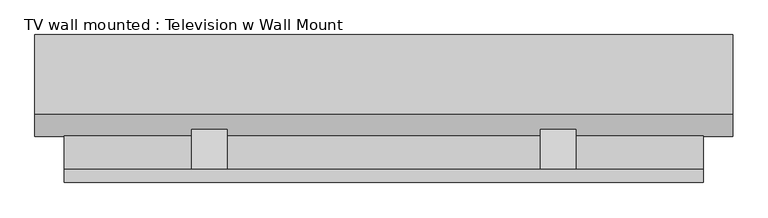
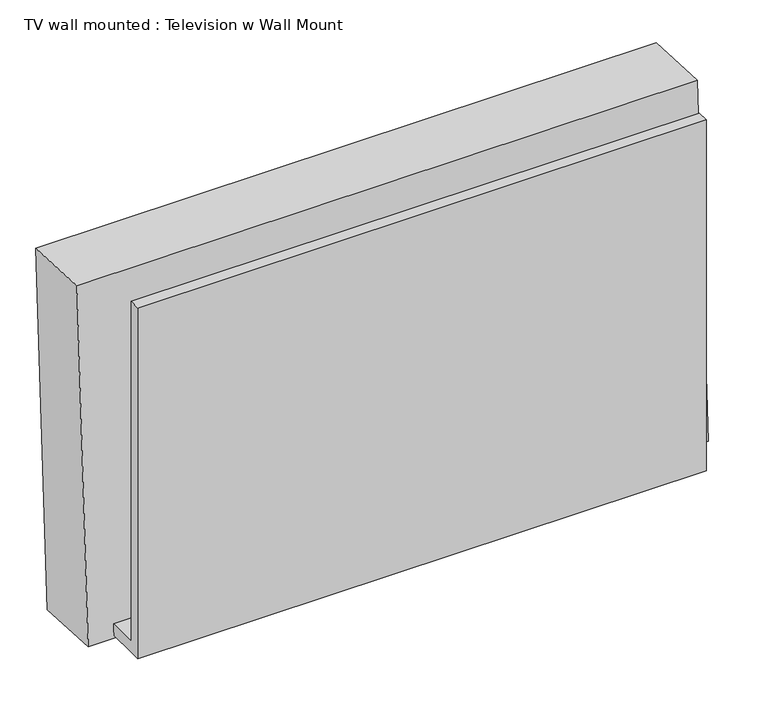
"""IFC4 building model written with IfcOpenShell, lengths in millimetres: proxy geometry, TV wall mounted : Television w Wall Mount."""

from ifc_helpers import new_model, si_unit, point, frame, frame_2d, origin, place, context, project, spatial, polyline, circle_curve, trimmed, segment, composite_curve, outline, extrude, source, transform, mapped, element, save
from ifc_brep_helpers import plane_surface, revolved_surface, advanced_brep


def tv_wall_mounted_television_w_wall_mount_cc8eaa67(model_context):
    return source(origin(), model_context, "Body", "SolidModel", [
        extrude(outline(composite_curve([segment(trimmed(circle_curve(frame_2d((0.0, -9.0037851)), 9.0037851), [point((0.0, -18.0075701))], [point((0.0, 0.0))], False, "CARTESIAN"), True, "CONTINUOUS"), segment(trimmed(circle_curve(frame_2d((0.0, -9.0037851)), 9.0037851), [point((0.0, 0.0))], [point((0.0, -18.0075701))], False, "CARTESIAN"), True, "CONTINUOUS")], self_intersect=False)), frame((-656.4331651, 240.5253505, 2466.195864), z_axis=(0.0, -0.9986295347545739, 0.05233595624294378), x_axis=(1.0, 0.0, 0.0)), (0.0, 0.0, 1.0), 3.175),
        extrude(outline(composite_curve([segment(trimmed(circle_curve(frame_2d((0.0, -9.0037851)), 9.0037851), [point((0.0, -18.0075701))], [point((0.0, 0.0))], False, "CARTESIAN"), True, "CONTINUOUS"), segment(trimmed(circle_curve(frame_2d((0.0, -9.0037851)), 9.0037851), [point((0.0, 0.0))], [point((0.0, -18.0075701))], False, "CARTESIAN"), True, "CONTINUOUS")], self_intersect=False)), frame((-675.4831651, 240.5253505, 2466.195864), z_axis=(0.0, -0.9986295347545739, 0.05233595624294378), x_axis=(1.0, 0.0, 0.0)), (0.0, 0.0, 1.0), 3.175),
        extrude(outline(polyline([(138.7616051, 2647.7291544), (135.5082889, 2585.6521819), (80.9625, 2680.1282596), (80.9625, 2705.5282596), (138.7616051, 2647.7291544)])), frame((-38.7151563, 0.0, 0.0), z_axis=(1.0, 0.0, 0.0), x_axis=(0.0, 1.0, 0.0)), (0.0, 0.0, 1.0), 50.8),
        extrude(outline(polyline([(138.7616051, 2647.7291544), (135.5082889, 2585.6521819), (80.9625, 2680.1282596), (80.9625, 2705.5282596), (138.7616051, 2647.7291544)])), frame((-537.7854688, 0.0, 0.0), z_axis=(1.0, 0.0, 0.0), x_axis=(0.0, 1.0, 0.0)), (0.0, 0.0, 1.0), 50.8),
        extrude(outline(polyline([(61.9125, 2451.1), (61.9125, 3048.0), (80.9625, 3048.0), (80.9625, 2470.15), (129.455076, 2470.15), (128.4567078, 2451.1), (80.9625, 2451.1), (61.9125, 2451.1)])), frame((-720.0503125, 0.0, 0.0), z_axis=(1.0, 0.0, 0.0), x_axis=(0.0, 1.0, 0.0)), (0.0, 0.0, 1.0), 914.4),
        extrude(outline(polyline([(0.0, -933.053125), (0.0, 0.0), (3.175, 0.0), (3.175, -933.053125), (0.0, -933.053125)])), frame((-729.376875, 237.7077838, 2473.0992385), z_axis=(0.0, 0.052335956242984656, 0.9986295347545718), x_axis=(0.0, 0.9986295347545718, -0.052335956242984656)), (0.0, 0.0, 1.0), 531.4488846),
        extrude(outline(polyline([(0.0, -933.053125), (0.0, 0.0), (76.2, 0.0), (76.2, -933.053125), (0.0, -933.053125)])), frame((-729.376875, 155.2709157, 2477.4195717), z_axis=(0.0, 0.052335956242941954, 0.998629534754574), x_axis=(0.0, 0.998629534754574, -0.052335956242941954)), (0.0, 0.0, 1.0), 531.4488846),
        extrude(outline(composite_curve([segment(trimmed(circle_curve(frame_2d((0.0, -9.0037851)), 9.0037851), [point((0.0, -18.0075701))], [point((0.0, 0.0))], False, "CARTESIAN"), True, "CONTINUOUS"), segment(trimmed(circle_curve(frame_2d((0.0, -9.0037851)), 9.0037851), [point((0.0, 0.0))], [point((0.0, -18.0075701))], False, "CARTESIAN"), True, "CONTINUOUS")], self_intersect=False)), frame((-694.5331651, 240.5253505, 2466.195864), z_axis=(0.0, -0.9986295347545739, 0.05233595624294378), x_axis=(1.0, 0.0, 0.0)), (0.0, 0.0, 1.0), 3.175),
        advanced_brep(
        [(-761.920625, 159.4228194, 3041.9686073), (-761.920625, 128.2025172, 2446.249755), (236.22, 128.2025172, 2446.249755), (236.22, 159.4228194, 3041.9686073), (-761.920625, 273.5661752, 3035.9866075), (236.22, 273.5661752, 3035.9866075), (236.22, 242.3458731, 2440.2677552), (-761.920625, 242.3458731, 2440.2677552), (-729.376875, 271.8629669, 3003.4874576), (-729.376875, 244.0490813, 2472.7669052), (203.67625, 244.0490813, 2472.7669052), (203.67625, 271.8629669, 3003.4874576), (-694.5331651, 242.907645, 2450.9870027), (-694.5331651, 243.5723117, 2463.6695978), (-675.4831651, 242.907645, 2450.9870027), (-675.4831651, 243.5723117, 2463.6695978), (-656.4331651, 242.907645, 2450.9870027), (-656.4331651, 243.5723117, 2463.6695978), (-729.376875, 183.0848013, 3008.1401241), (203.67625, 183.0848013, 3008.1401241), (203.67625, 155.2709157, 2477.4195717), (-729.376875, 155.2709157, 2477.4195717), (-694.5331651, 154.1294794, 2455.6396693), (-694.5331651, 154.794146, 2468.3222643), (-675.4831651, 154.1294794, 2455.6396693), (-675.4831651, 154.794146, 2468.3222643), (-656.4331651, 154.1294794, 2455.6396693), (-656.4331651, 154.794146, 2468.3222643)],
        [
            (0, 1),
            (1, 2),
            (2, 3),
            (3, 0),
            (4, 5),
            (5, 6),
            (6, 7),
            (7, 4),
            (8, 9),
            (9, 10),
            (10, 11),
            (11, 8),
            (12, 13, circle_curve(frame((-694.5331651, 243.2399783, 2457.3283003), z_axis=(0.0, -0.9986295347545739, 0.05233595624294378), x_axis=(0.0, 0.05233595624294378, 0.9986295347545739)), 6.35)),
            (13, 12, circle_curve(frame((-694.5331651, 243.2399783, 2457.3283003), z_axis=(0.0, -0.9986295347545739, 0.05233595624294378), x_axis=(0.0, 0.05233595624294378, 0.9986295347545739)), 6.35)),
            (14, 15, circle_curve(frame((-675.4831651, 243.2399783, 2457.3283003), z_axis=(0.0, -0.9986295347545739, 0.05233595624294378), x_axis=(0.0, 0.05233595624294378, 0.9986295347545739)), 6.35)),
            (15, 14, circle_curve(frame((-675.4831651, 243.2399783, 2457.3283003), z_axis=(0.0, -0.9986295347545739, 0.05233595624294378), x_axis=(0.0, 0.05233595624294378, 0.9986295347545739)), 6.35)),
            (16, 17, circle_curve(frame((-656.4331651, 243.2399783, 2457.3283003), z_axis=(0.0, -0.9986295347545739, 0.05233595624294378), x_axis=(0.0, 0.05233595624294378, 0.9986295347545739)), 6.35)),
            (17, 16, circle_curve(frame((-656.4331651, 243.2399783, 2457.3283003), z_axis=(0.0, -0.9986295347545739, 0.05233595624294378), x_axis=(0.0, 0.05233595624294378, 0.9986295347545739)), 6.35)),
            (0, 4),
            (7, 1),
            (6, 2),
            (5, 3),
            (18, 19),
            (19, 20),
            (20, 21),
            (21, 18),
            (21, 9),
            (8, 18),
            (20, 10),
            (19, 11),
            (22, 23, circle_curve(frame((-694.5331651, 154.4618127, 2461.9809668), z_axis=(0.0, 0.9986295347545739, -0.05233595624294378), x_axis=(0.0, 0.05233595624294378, 0.9986295347545739)), 6.35)),
            (23, 22, circle_curve(frame((-694.5331651, 154.4618127, 2461.9809668), z_axis=(0.0, 0.9986295347545739, -0.05233595624294378), x_axis=(0.0, 0.05233595624294378, 0.9986295347545739)), 6.35)),
            (24, 25, circle_curve(frame((-675.4831651, 154.4618127, 2461.9809668), z_axis=(0.0, 0.9986295347545739, -0.05233595624294378), x_axis=(0.0, 0.05233595624294378, 0.9986295347545739)), 6.35)),
            (25, 24, circle_curve(frame((-675.4831651, 154.4618127, 2461.9809668), z_axis=(0.0, 0.9986295347545739, -0.05233595624294378), x_axis=(0.0, 0.05233595624294378, 0.9986295347545739)), 6.35)),
            (26, 27, circle_curve(frame((-656.4331651, 154.4618127, 2461.9809668), z_axis=(0.0, 0.9986295347545739, -0.05233595624294378), x_axis=(0.0, 0.05233595624294378, 0.9986295347545739)), 6.35)),
            (27, 26, circle_curve(frame((-656.4331651, 154.4618127, 2461.9809668), z_axis=(0.0, 0.9986295347545739, -0.05233595624294378), x_axis=(0.0, 0.05233595624294378, 0.9986295347545739)), 6.35)),
            (23, 13),
            (12, 22),
            (25, 15),
            (14, 24),
            (27, 17),
            (16, 26),
        ],
        [
            plane_surface(frame((-761.920625, 159.4228194, 3041.9686073), z_axis=(0.0, -0.9986295347545739, 0.05233595624294378), x_axis=(0.0, -0.05233595624294378, -0.9986295347545739))),
            plane_surface(frame((-761.920625, 273.5661752, 3035.9866075), z_axis=(0.0, 0.9986295347545739, -0.05233595624294378), x_axis=(0.0, 0.05233595624294378, 0.9986295347545739))),
            plane_surface(frame((-761.920625, 159.4228194, 3041.9686073), z_axis=(-1.0000000000000002, 0.0, 0.0), x_axis=(0.0, 0.998629534754574, -0.05233595624294197))),
            plane_surface(frame((-761.920625, 128.2025172, 2446.249755), z_axis=(0.0, -0.05233595624294196, -0.998629534754574), x_axis=(0.0, 0.998629534754574, -0.05233595624294196))),
            plane_surface(frame((236.22, 128.2025172, 2446.249755), z_axis=(1.0000000000000002, 0.0, 0.0), x_axis=(0.0, 0.998629534754574, -0.05233595624294196))),
            plane_surface(frame((236.22, 159.4228194, 3041.9686073), z_axis=(0.0, 0.05233595624294197, 0.998629534754574), x_axis=(0.0, 0.998629534754574, -0.05233595624294197))),
            plane_surface(frame((-729.376875, 183.0848013, 3008.1401241), z_axis=(0.0, 0.9986295347545739, -0.05233595624294378), x_axis=(0.0, -0.05233595624294378, -0.9986295347545739))),
            plane_surface(frame((-729.376875, 183.0848013, 3008.1401241), z_axis=(1.0000000000000002, 0.0, 0.0), x_axis=(0.0, 0.998629534754574, -0.05233595624294197))),
            plane_surface(frame((-729.376875, 155.2709157, 2477.4195717), z_axis=(0.0, 0.05233595624294197, 0.998629534754574), x_axis=(0.0, 0.998629534754574, -0.05233595624294197))),
            plane_surface(frame((203.67625, 155.2709157, 2477.4195717), z_axis=(-1.0000000000000002, 0.0, 0.0), x_axis=(0.0, 0.998629534754574, -0.05233595624294197))),
            plane_surface(frame((203.67625, 183.0848013, 3008.1401241), z_axis=(0.0, -0.05233595624294197, -0.998629534754574), x_axis=(0.0, 0.998629534754574, -0.05233595624294197))),
            plane_surface(frame((-694.5331651, 154.794146, 2468.3222643), z_axis=(0.0, 0.9986295347545739, -0.05233595624294377), x_axis=(-1.0, 0.0, 0.0))),
            revolved_surface(polyline([(-694.5331651, 154.79414600286253, 2468.3222643546205), (-694.5331651, 243.5723117021748, 2463.6695978414978)]), (-694.5331651, 243.2399783, 2457.3283003), (0.0, -0.9986295347545739, 0.05233595624294378)),
            revolved_surface(polyline([(-675.4831651, 154.79414600299884, 2468.3222643572212), (-675.4831651, 243.57231170231108, 2463.669597844098)]), (-675.4831651, 129.0966225, 2463.3103001), (0.0, -0.9986295347545739, 0.05233595624294378)),
            revolved_surface(polyline([(-656.4331651, 154.79414600299884, 2468.3222643572212), (-656.4331651, 243.57231170231108, 2463.669597844098)]), (-656.4331651, 129.0966225, 2463.3103001), (0.0, -0.9986295347545739, 0.05233595624294378)),
        ],
        [
            (0, [[1, 2, 3, 4]]),
            (1, [[5, 6, 7, 8], [9, 10, 11, 12], [13, 14], [15, 16], [17, 18]]),
            (2, [[-1, 19, -8, 20]]),
            (3, [[-2, -20, -7, 21]]),
            (4, [[-3, -21, -6, 22]]),
            (5, [[-4, -22, -5, -19]]),
            (6, [[23, 24, 25, 26]]),
            (7, [[-26, 27, -9, 28]]),
            (8, [[-25, 29, -10, -27]]),
            (9, [[-24, 30, -11, -29]]),
            (10, [[-23, -28, -12, -30]]),
            (11, [[31, 32]]),
            (11, [[33, 34]]),
            (11, [[35, 36]]),
            (12, [[-32, 37, -13, 38]]),
            (12, [[-31, -38, -14, -37]]),
            (13, [[-34, 39, -15, 40]]),
            (13, [[-33, -40, -16, -39]]),
            (14, [[-36, 41, -17, 42]]),
            (14, [[-35, -42, -18, -41]]),
        ],
    ),
    ])


if __name__ == "__main__":
    model = new_model("IFC4")
    model_context = context("Model", 3, world=origin())
    ifc_project = project(units=[si_unit("LENGTHUNIT", "METRE", prefix="MILLI")], contexts=[model_context])
    site = spatial("IfcSite", under=ifc_project)
    building = spatial("IfcBuilding", under=site)
    placement = place(None, origin())
    tv_wall_mounted_television_w_wall_mount_shape = tv_wall_mounted_television_w_wall_mount_cc8eaa67(model_context)
    element("IfcBuildingElementProxy", 1, Name="TV wall mounted : Television w Wall Mount", ObjectType="TV wall mounted : Television w Wall Mount", at=placement, inside=building, context=model_context, shape_type="MappedRepresentation", body=[
        mapped(tv_wall_mounted_television_w_wall_mount_shape, transform((0.0, 0.0, 0.0), x_axis=(1.0, 0.0, 0.0), y_axis=(0.0, 1.0, 0.0), z_axis=(0.0, 0.0, 1.0))),
    ])
    save(model, "model.ifc")
